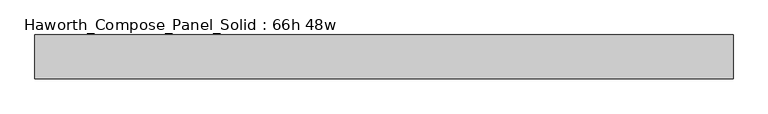
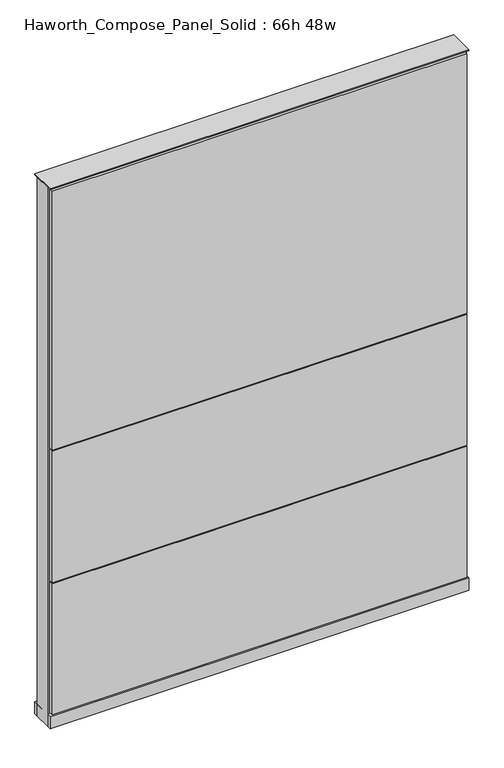
"""IFC4 building model written with IfcOpenShell, lengths in millimetres: furniture geometry, Haworth_Compose_Panel_Solid : 66h 48w."""

import ifcopenshell
import ifcopenshell.guid

model = None  # the IFC model being written
_history = None  # IfcOwnerHistory: only IFC2X3 demands one
_inside = {}  # id of a spatial element -> (the spatial element, [elements in it])
_under = {}  # id of a project, library or spatial element -> (it, [spatial elements below it])
_declared = {}  # id of a project -> (the project, [libraries it declares])
_typed = {}  # id of a type object -> (the type object, [elements of that type])
_made_of = {}  # id of a material, layer set ... -> (it, [elements and type objects made of it])


def new_model(schema):
    """Start an empty IFC model of exactly this schema.

    Asked for "IFC4X3", IfcOpenShell would pick the latest addendum, in which some entities
    have other attributes; the version numbers below select the first issue.
    IFC2X3 requires an IfcOwnerHistory on every rooted entity: one is made here for all.
    """
    global model, _history
    if schema == "IFC4X3":
        model = ifcopenshell.file(schema_version=(4, 3, 0, 0))
    else:
        model = ifcopenshell.file(schema=schema)
    _inside.clear()
    _under.clear()
    _declared.clear()
    _typed.clear()
    _made_of.clear()
    _history = None
    if model.schema == "IFC2X3":
        org = make("IfcOrganization", Name="unknown")
        user = make(
            "IfcPersonAndOrganization",
            ThePerson=make("IfcPerson", FamilyName="unknown"),
            TheOrganization=org,
        )
        app = make(
            "IfcApplication",
            ApplicationDeveloper=org,
            Version="unknown",
            ApplicationFullName="unknown",
            ApplicationIdentifier="unknown",
        )
        _history = make(
            "IfcOwnerHistory",
            OwningUser=user,
            OwningApplication=app,
            ChangeAction="ADDED",
            CreationDate=0,
        )
    return model


def make(cls, **values):
    """One entity of the class cls with the attributes given. An attribute that is None is left unset."""
    return model.create_entity(
        cls, **{name: value for name, value in values.items() if value is not None}
    )


def rooted(cls, **values):
    """An entity with a GlobalId (a new one), such as an element, a storey or a relation."""
    return make(cls, GlobalId=ifcopenshell.guid.new(), OwnerHistory=_history, **values)


def si_unit(unit_type, name, prefix=None):
    """IfcSIUnit, for example si_unit("LENGTHUNIT", "METRE", prefix="MILLI")."""
    return make("IfcSIUnit", UnitType=unit_type, Prefix=prefix, Name=name)


def assignment(units):
    """IfcUnitAssignment: the units of a project."""
    return None if units is None else make("IfcUnitAssignment", Units=units)


def point(xyz):
    """IfcCartesianPoint."""
    return None if xyz is None else make("IfcCartesianPoint", Coordinates=xyz)


def direction(xyz):
    """IfcDirection."""
    return None if xyz is None else make("IfcDirection", DirectionRatios=xyz)


def frame(location, z_axis=None, x_axis=None):
    """IfcAxis2Placement3D, a coordinate frame: its origin and axes. An axis left out is left unset."""
    return make(
        "IfcAxis2Placement3D",
        Location=point(location),
        Axis=direction(z_axis),
        RefDirection=direction(x_axis),
    )


def frame_2d(location, x_axis=None):
    """IfcAxis2Placement2D, a coordinate frame in the plane: its origin and x axis."""
    return make(
        "IfcAxis2Placement2D", Location=point(location), RefDirection=direction(x_axis)
    )


def origin():
    """The frame at (0, 0, 0) with its axes left unset."""
    return frame((0.0, 0.0, 0.0))


def origin_with_axes():
    """The frame at (0, 0, 0) with the z axis (0, 0, 1) and the x axis (1, 0, 0) written out."""
    return frame((0.0, 0.0, 0.0), z_axis=(0.0, 0.0, 1.0), x_axis=(1.0, 0.0, 0.0))


def place(relative_to, where):
    """IfcLocalPlacement: puts the frame where relative to a parent placement (None: the world)."""
    return make(
        "IfcLocalPlacement", PlacementRelTo=relative_to, RelativePlacement=where
    )


def context(
    kind, dimensions, precision=None, world=None, true_north=None, identifier=None
):
    """IfcGeometricRepresentationContext, for example the 3D "Model" context."""
    return make(
        "IfcGeometricRepresentationContext",
        ContextIdentifier=identifier,
        ContextType=kind,
        CoordinateSpaceDimension=dimensions,
        Precision=precision,
        WorldCoordinateSystem=world,
        TrueNorth=true_north,
    )


def project(units=None, contexts=None):
    """IfcProject with its units and contexts."""
    return rooted(
        "IfcProject",
        Name="project",
        RepresentationContexts=contexts,
        UnitsInContext=assignment(units),
    )


def spatial(cls, under=None, at=None, **own):
    """A site, building, storey or space (cls), placed at a placement, below another one or the project."""
    s = rooted(cls, ObjectPlacement=at, **own)
    if under is not None:
        _under.setdefault(under.id(), (under, []))[1].append(s)
    return s


def polyline(points):
    """IfcPolyline through the points."""
    return make("IfcPolyline", Points=[point(p) for p in points])


def circle_curve(where, radius):
    """IfcCircle in the frame where."""
    return make("IfcCircle", Position=where, Radius=radius)


def trimmed(basis, trim1, trim2, sense, master):
    """IfcTrimmedCurve: the piece of a basis curve between two trims."""
    return make(
        "IfcTrimmedCurve",
        BasisCurve=basis,
        Trim1=trim1,
        Trim2=trim2,
        SenseAgreement=sense,
        MasterRepresentation=master,
    )


def segment(curve, same_sense, transition):
    """IfcCompositeCurveSegment."""
    return make(
        "IfcCompositeCurveSegment",
        Transition=transition,
        SameSense=same_sense,
        ParentCurve=curve,
    )


def composite_curve(segments, self_intersect=None):
    """IfcCompositeCurve: segments joined end to end."""
    return make("IfcCompositeCurve", Segments=segments, SelfIntersect=self_intersect)


def outline(outer, holes=None, kind="AREA"):
    """IfcArbitraryClosedProfileDef: a profile drawn as a closed curve; with holes, ...WithVoids."""
    if holes is None:
        return make("IfcArbitraryClosedProfileDef", ProfileType=kind, OuterCurve=outer)
    return make(
        "IfcArbitraryProfileDefWithVoids",
        ProfileType=kind,
        OuterCurve=outer,
        InnerCurves=holes,
    )


def extrude(swept, where, along, depth):
    """IfcExtrudedAreaSolid: the profile swept, set in the frame where, extruded along a direction by depth."""
    return make(
        "IfcExtrudedAreaSolid",
        SweptArea=swept,
        Position=where,
        ExtrudedDirection=direction(along),
        Depth=depth,
    )


def shape(context_of_items, identifier, shape_type, items):
    """IfcShapeRepresentation: the items that make up one representation, for example the "Body"."""
    return make(
        "IfcShapeRepresentation",
        ContextOfItems=context_of_items,
        RepresentationIdentifier=identifier,
        RepresentationType=shape_type,
        Items=items,
    )


def source(mapping_origin, context_of_items, identifier, shape_type, items):
    """IfcRepresentationMap: a shape defined once, which mapped items show again and again."""
    return make(
        "IfcRepresentationMap",
        MappingOrigin=mapping_origin,
        MappedRepresentation=shape(context_of_items, identifier, shape_type, items),
    )


def transform(
    local_origin,
    x_axis=None,
    y_axis=None,
    z_axis=None,
    scale=None,
    scale2=None,
    scale3=None,
    uniform=True,
):
    """IfcCartesianTransformationOperator3D, or its non-uniform kind. x_axis, y_axis, z_axis: its Axis1, 2, 3."""
    if uniform:
        return make(
            "IfcCartesianTransformationOperator3D",
            Axis1=direction(x_axis),
            Axis2=direction(y_axis),
            LocalOrigin=point(local_origin),
            Scale=scale,
            Axis3=direction(z_axis),
        )
    return make(
        "IfcCartesianTransformationOperator3DnonUniform",
        Axis1=direction(x_axis),
        Axis2=direction(y_axis),
        LocalOrigin=point(local_origin),
        Scale=scale,
        Axis3=direction(z_axis),
        Scale2=scale2,
        Scale3=scale3,
    )


def mapped(mapping_source, mapping_target):
    """IfcMappedItem: shows the shape of a source again, moved by a transform."""
    return make(
        "IfcMappedItem", MappingSource=mapping_source, MappingTarget=mapping_target
    )


def made_of(thing, what):
    """Note that an element or type object is made of a material, layer set ...; save() writes the relation."""
    if what is not None:
        _made_of.setdefault(what.id(), (what, []))[1].append(thing)
    return thing


def element(
    cls,
    number,
    at=None,
    inside=None,
    cuts=None,
    type_object=None,
    material=None,
    context=None,
    identifier="Body",
    shape_type=None,
    held_by="IfcProductDefinitionShape",
    body=None,
    shapes=None,
    **own,
):
    """One element of the class cls, such as IfcWall. Its Tag is "e" and its number.

    at: its placement. inside: the storey or other place that contains it. cuts: it is an
    opening in that element (IfcRelVoidsElement). A single representation is given by context,
    identifier, shape_type and body (its items); several are given by shapes. held_by: the class
    of the entity that holds the representations. save() writes the other relations.
    """
    e = rooted(cls, Tag="e%d" % number, ObjectPlacement=at, **own)
    if body is not None:
        shapes = [shape(context, identifier, shape_type, body)]
    if shapes is not None:
        e.Representation = make(held_by, Representations=shapes)
    if inside is not None:
        _inside.setdefault(inside.id(), (inside, []))[1].append(e)
    if cuts is not None:
        rooted(
            "IfcRelVoidsElement", RelatingBuildingElement=cuts, RelatedOpeningElement=e
        )
    if type_object is not None:
        _typed.setdefault(type_object.id(), (type_object, []))[1].append(e)
    return made_of(e, material)


def aggregate(whole, parts):
    """IfcRelAggregates: a whole, such as a stair, and the parts it consists of."""
    return rooted("IfcRelAggregates", RelatingObject=whole, RelatedObjects=parts)


def save(model, path):
    """Write the relations noted so far, then the file.

    IfcRelAggregates (storeys below a building ...), IfcRelContainedInSpatialStructure (elements
    in a storey), IfcRelDefinesByType, IfcRelAssociatesMaterial and IfcRelDeclares: one each for
    every whole, place, type object, material and project.
    """
    for whole, parts in _under.values():
        aggregate(whole, parts)
    for where, things in _inside.values():
        rooted(
            "IfcRelContainedInSpatialStructure",
            RelatedElements=things,
            RelatingStructure=where,
        )
    for kind, things in _typed.values():
        rooted("IfcRelDefinesByType", RelatedObjects=things, RelatingType=kind)
    for what, things in _made_of.values():
        rooted("IfcRelAssociatesMaterial", RelatedObjects=things, RelatingMaterial=what)
    for by, libraries in _declared.values():
        rooted("IfcRelDeclares", RelatingContext=by, RelatedDefinitions=libraries)
    model.write(path)


def haworth_compose_panel_solid_66h_48w_bf264ed1(model_context):
    return source(origin(), model_context, "Body", "SweptSolid", [
        extrude(outline(composite_curve([segment(trimmed(circle_curve(frame_2d((-530.9597098, 0.0)), 12.7), [point((-543.6597098, 0.0))], [point((-518.2597098, 0.0))], False, "CARTESIAN"), True, "CONTINUOUS"), segment(trimmed(circle_curve(frame_2d((-530.9597098, 0.0)), 12.7), [point((-518.2597098, 0.0))], [point((-543.6597098, 0.0))], False, "CARTESIAN"), True, "CONTINUOUS")], self_intersect=False)), origin_with_axes(), (0.0, 0.0, 1.0), 12.7),
        extrude(outline(composite_curve([segment(trimmed(circle_curve(frame_2d((535.8402902, 0.0)), 12.7), [point((523.1402902, 0.0))], [point((548.5402902, 0.0))], False, "CARTESIAN"), True, "CONTINUOUS"), segment(trimmed(circle_curve(frame_2d((535.8402902, 0.0)), 12.7), [point((548.5402902, 0.0))], [point((523.1402902, 0.0))], False, "CARTESIAN"), True, "CONTINUOUS")], self_intersect=False)), origin_with_axes(), (0.0, 0.0, 1.0), 12.7),
        extrude(outline(polyline([(605.6902902, 38.1), (605.6902902, 25.4), (-600.8097098, 25.4), (-600.8097098, 38.1), (605.6902902, 38.1)])), frame((0.0, 0.0, 866.775), z_axis=(0.0, 0.0, 1.0), x_axis=(1.0, 0.0, 0.0)), (0.0, 0.0, 1.0), 796.925),
        extrude(outline(polyline([(605.6902902, 38.1), (605.6902902, 25.4), (-600.8097098, 25.4), (-600.8097098, 38.1), (605.6902902, 38.1)])), frame((0.0, 0.0, 460.375), z_axis=(0.0, 0.0, 1.0), x_axis=(1.0, 0.0, 0.0)), (0.0, 0.0, 1.0), 403.225),
        extrude(outline(polyline([(605.6902902, 38.1), (605.6902902, 25.4), (-600.8097098, 25.4), (-600.8097098, 38.1), (605.6902902, 38.1)])), frame((0.0, 0.0, 53.975), z_axis=(0.0, 0.0, 1.0), x_axis=(1.0, 0.0, 0.0)), (0.0, 0.0, 1.0), 403.225),
        extrude(outline(polyline([(605.6902902, -38.1), (-600.8097098, -38.1), (-600.8097098, -25.4), (605.6902902, -25.4), (605.6902902, -38.1)])), frame((0.0, 0.0, 866.775), z_axis=(0.0, 0.0, 1.0), x_axis=(1.0, 0.0, 0.0)), (0.0, 0.0, 1.0), 796.925),
        extrude(outline(polyline([(605.6902902, -38.1), (-600.8097098, -38.1), (-600.8097098, -25.4), (605.6902902, -25.4), (605.6902902, -38.1)])), frame((0.0, 0.0, 460.375), z_axis=(0.0, 0.0, 1.0), x_axis=(1.0, 0.0, 0.0)), (0.0, 0.0, 1.0), 403.225),
        extrude(outline(polyline([(605.6902902, -38.1), (-600.8097098, -38.1), (-600.8097098, -25.4), (605.6902902, -25.4), (605.6902902, -38.1)])), frame((0.0, 0.0, 53.975), z_axis=(0.0, 0.0, 1.0), x_axis=(1.0, 0.0, 0.0)), (0.0, 0.0, 1.0), 403.225),
        extrude(outline(polyline([(612.0402902, 25.4), (612.0402902, -25.4), (-607.1597098, -25.4), (-607.1597098, 25.4), (612.0402902, 25.4)])), frame((0.0, 0.0, 12.7), z_axis=(0.0, 0.0, 1.0), x_axis=(1.0, 0.0, 0.0)), (0.0, 0.0, 1.0), 1657.35),
        extrude(outline(polyline([(-607.1597098, -38.1), (-607.1597098, 38.1), (612.0402902, 38.1), (612.0402902, -38.1), (-607.1597098, -38.1)])), frame((0.0, 0.0, 12.7), z_axis=(0.0, 0.0, 1.0), x_axis=(1.0, 0.0, 0.0)), (0.0, 0.0, 1.0), 38.1),
        extrude(outline(polyline([(-607.1597098, -38.1), (-607.1597098, 38.1), (612.0402902, 38.1), (612.0402902, -38.1), (-607.1597098, -38.1)])), frame((0.0, 0.0, 1670.05), z_axis=(0.0, 0.0, 1.0), x_axis=(1.0, 0.0, 0.0)), (0.0, 0.0, 1.0), 3.175),
    ])


if __name__ == "__main__":
    model = new_model("IFC4")
    model_context = context("Model", 3, world=origin())
    ifc_project = project(units=[si_unit("LENGTHUNIT", "METRE", prefix="MILLI")], contexts=[model_context])
    site = spatial("IfcSite", under=ifc_project)
    building = spatial("IfcBuilding", under=site)
    placement = place(None, origin())
    haworth_compose_panel_solid_66h_48w_shape = haworth_compose_panel_solid_66h_48w_bf264ed1(model_context)
    element("IfcFurniture", 1, ObjectType="Haworth_Compose_Panel_Solid : 66h 48w", at=placement, inside=building, context=model_context, shape_type="MappedRepresentation", body=[
        mapped(haworth_compose_panel_solid_66h_48w_shape, transform((0.0, 0.0, 0.0), x_axis=(1.0, 0.0, 0.0), y_axis=(0.0, 1.0, 0.0), z_axis=(0.0, 0.0, 1.0))),
    ])
    save(model, "model.ifc")
